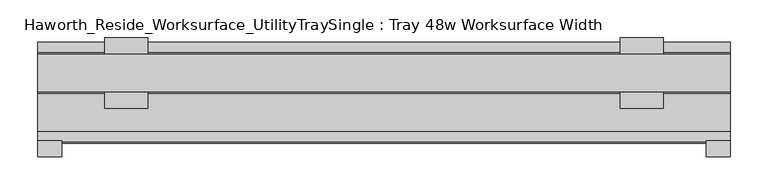
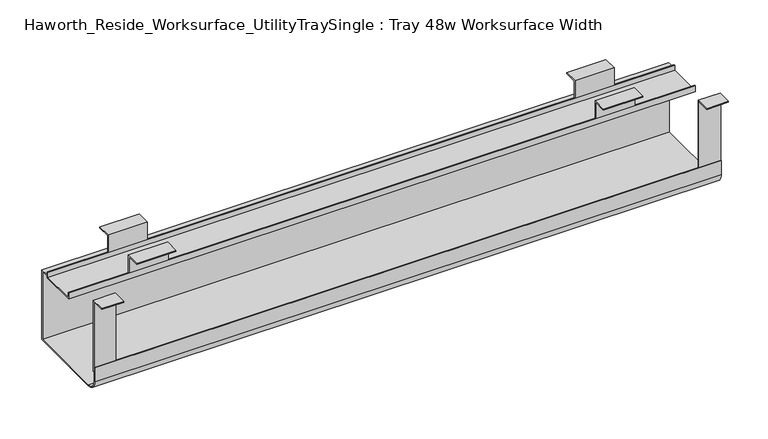
"""IFC4 building model written with IfcOpenShell, lengths in millimetres: furniture geometry, Haworth_Reside_Worksurface_UtilityTraySingle : Tray 48w Worksurface Width."""

from ifc_helpers import new_model, si_unit, point, frame, frame_2d, origin, place, context, project, spatial, polyline, circle_curve, trimmed, segment, composite_curve, outline, extrude, source, transform, mapped, element, save


def haworth_reside_worksurface_utilitytraysingle_tray_48w_af93efd3(model_context):
    return source(origin(), model_context, "Body", "SweptSolid", [
        extrude(outline(polyline([(85.2804983, 731.8375), (85.2804983, 705.0616227), (83.6929983, 705.0616227), (83.6929983, 730.25), (64.1984987, 730.25), (64.1984987, 731.8375), (85.2804983, 731.8375)])), frame((388.14375, 0.0, 0.0), z_axis=(1.0, 0.0, 0.0), x_axis=(0.0, 1.0, 0.0)), (0.0, 0.0, 1.0), 57.15),
        extrude(outline(polyline([(136.0804991, 731.8375), (157.1625, 731.8375), (157.1625, 730.25), (137.6679991, 730.25), (137.6679991, 705.0616227), (136.0804991, 705.0616227), (136.0804991, 731.8375)])), frame((388.14375, 0.0, 0.0), z_axis=(1.0, 0.0, 0.0), x_axis=(0.0, 1.0, 0.0)), (0.0, 0.0, 1.0), 57.15),
        extrude(outline(polyline([(85.2804983, 731.8375), (85.2804983, 705.0616227), (83.6929983, 705.0616227), (83.6929983, 730.25), (64.1984987, 730.25), (64.1984987, 731.8375), (85.2804983, 731.8375)])), frame((-292.89375, 0.0, 0.0), z_axis=(1.0, 0.0, 0.0), x_axis=(0.0, 1.0, 0.0)), (0.0, 0.0, 1.0), 57.15),
        extrude(outline(polyline([(136.0804991, 731.8375), (157.1625, 731.8375), (157.1625, 730.25), (137.6679991, 730.25), (137.6679991, 705.0616227), (136.0804991, 705.0616227), (136.0804991, 731.8375)])), frame((-292.89375, 0.0, 0.0), z_axis=(1.0, 0.0, 0.0), x_axis=(0.0, 1.0, 0.0)), (0.0, 0.0, 1.0), 57.15),
        extrude(outline(polyline([(21.0438957, 731.8375), (21.0438957, 622.3673792), (19.4563957, 622.3673792), (19.4563957, 730.25), (0.0, 730.25), (0.0, 731.8375), (21.0438957, 731.8375)])), frame((501.65, 0.0, 0.0), z_axis=(1.0, 0.0, 0.0), x_axis=(0.0, 1.0, 0.0)), (0.0, 0.0, 1.0), 31.75),
        extrude(outline(polyline([(21.0438957, 731.8375), (21.0438957, 622.3673792), (19.4563957, 622.3673792), (19.4563957, 730.25), (0.0, 730.25), (0.0, 731.8375), (21.0438957, 731.8375)])), frame((-381.0, 0.0, 0.0), z_axis=(1.0, 0.0, 0.0), x_axis=(0.0, 1.0, 0.0)), (0.0, 0.0, 1.0), 31.75),
        extrude(outline(composite_curve([segment(polyline([(151.2189002, 592.1375), (33.7438957, 592.1375)]), True, "CONTINUOUS"), segment(trimmed(circle_curve(frame_2d((33.7438957, 608.0125)), 15.875), [point((33.7438957, 592.1375))], [point((17.8688957, 608.0125))], False, "CARTESIAN"), True, "CONTINUOUS"), segment(polyline([(17.8688957, 608.0125), (17.8688957, 629.0309801), (19.4563957, 629.0309801), (19.4563957, 608.0759608)]), True, "CONTINUOUS"), segment(trimmed(circle_curve(frame_2d((33.7438957, 608.0759608)), 14.2875), [point((19.4563957, 608.0759608))], [point((33.7438957, 593.7884608))], True, "CARTESIAN"), True, "CONTINUOUS"), segment(polyline([(33.7438957, 593.7884608), (149.6314002, 593.7884608), (149.6314002, 698.4364942), (137.6679991, 698.4364942), (137.6679991, 695.8584054), (83.6929983, 695.8584054), (83.6929983, 705.0616227), (85.2804983, 705.0616227), (85.2804983, 697.4459054), (136.0804991, 697.4459054), (136.0804991, 705.0616227), (137.6679991, 705.0616227), (137.6679991, 700.0239942), (151.2189002, 700.0239942), (151.2189002, 592.1375)]), True, "CONTINUOUS")], self_intersect=False)), frame((-381.0, 0.0, 0.0), z_axis=(1.0, 0.0, 0.0), x_axis=(0.0, 1.0, 0.0)), (0.0, 0.0, 1.0), 914.4),
    ])


if __name__ == "__main__":
    model = new_model("IFC4")
    model_context = context("Model", 3, world=origin())
    ifc_project = project(units=[si_unit("LENGTHUNIT", "METRE", prefix="MILLI")], contexts=[model_context])
    site = spatial("IfcSite", under=ifc_project)
    building = spatial("IfcBuilding", under=site)
    placement = place(None, origin())
    haworth_reside_worksurface_utilitytraysingle_tray_48w_shape = haworth_reside_worksurface_utilitytraysingle_tray_48w_af93efd3(model_context)
    element("IfcFurniture", 1, ObjectType="Haworth_Reside_Worksurface_UtilityTraySingle : Tray 48w Worksurface Width", at=placement, inside=building, context=model_context, shape_type="MappedRepresentation", body=[
        mapped(haworth_reside_worksurface_utilitytraysingle_tray_48w_shape, transform((0.0, 0.0, 0.0), x_axis=(1.0, 0.0, 0.0), y_axis=(0.0, 1.0, 0.0), z_axis=(0.0, 0.0, 1.0))),
    ])
    save(model, "model.ifc")
